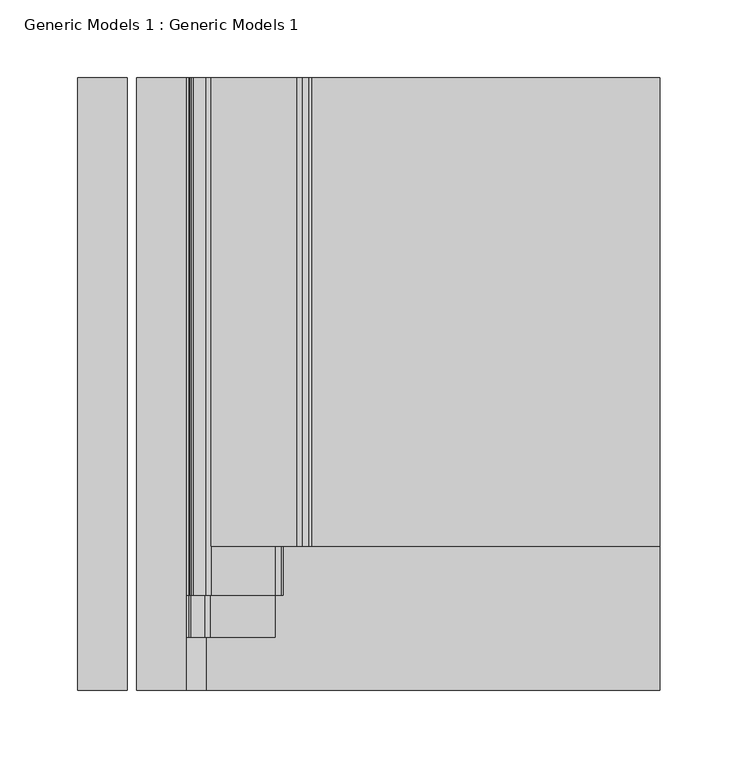
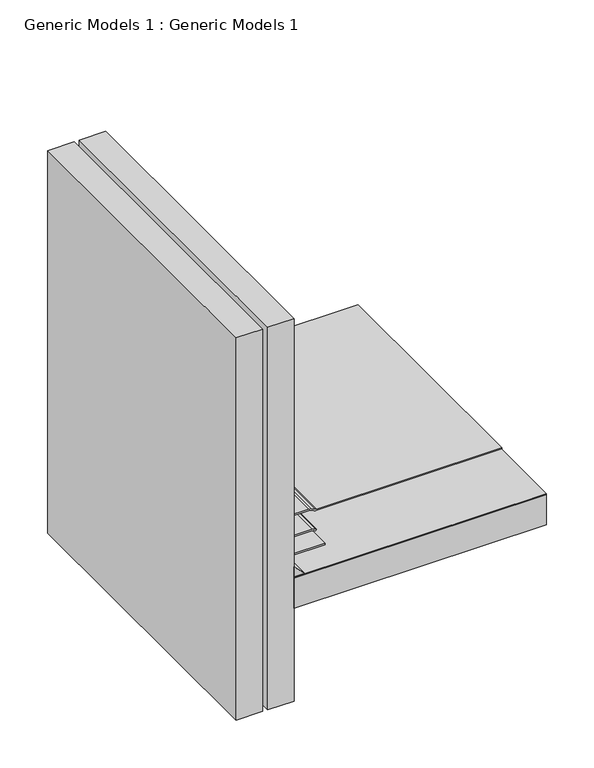
"""IFC4 building model written with IfcOpenShell, lengths in millimetres: proxy geometry, Generic Models 1 : Generic Models 1."""

from ifc_helpers import new_model, si_unit, point, frame, frame_2d, origin, place, context, project, spatial, polyline, circle_curve, trimmed, segment, composite_curve, outline, extrude, source, transform, mapped, element, save


def generic_models_1_generic_models_1_8e05d012(model_context):
    return source(origin(), model_context, "Body", "SweptSolid", [
        extrude(outline(polyline([(82.55, 393.8469389), (387.35, 393.8469389), (387.35, 0.0), (82.55, 0.0), (82.55, 393.8469389)])), frame((0.0, 0.0, 188.9125), z_axis=(0.0, 0.0, 1.0), x_axis=(1.0, 0.0, 0.0)), (0.0, 0.0, 1.0), 0.79375),
        extrude(outline(composite_curve([segment(trimmed(circle_curve(frame_2d((187.325, 153.7084294)), 6.35), [point((193.675, 153.7084294))], [point((193.0800544, 156.3920554))], True, "CARTESIAN"), True, "CONTINUOUS"), segment(polyline([(193.0800544, 156.3920554), (191.0949456, 160.6491351)]), True, "CONTINUOUS"), segment(trimmed(circle_curve(frame_2d((196.85, 163.3327611)), 6.35), [point((191.0949456, 160.6491351))], [point((190.5, 163.3327611))], False, "CARTESIAN"), True, "CONTINUOUS"), segment(polyline([(190.5, 163.3327611), (190.5, 387.35), (192.0875, 387.35), (192.0875, 163.3327611)]), True, "CONTINUOUS"), segment(trimmed(circle_curve(frame_2d((196.85, 163.3327611)), 4.7625), [point((192.0875, 163.3327611))], [point((192.5337092, 161.3200416))], True, "CARTESIAN"), True, "CONTINUOUS"), segment(polyline([(192.5337092, 161.3200416), (194.5188181, 157.0629619)]), True, "CONTINUOUS"), segment(trimmed(circle_curve(frame_2d((187.325, 153.7084294)), 7.9375), [point((194.5188181, 157.0629619))], [point((195.2625, 153.7084294))], False, "CARTESIAN"), True, "CONTINUOUS"), segment(polyline([(195.2625, 153.7084294), (195.2625, 98.5378202), (193.675, 98.5378202), (193.675, 153.7084294)]), True, "CONTINUOUS")], self_intersect=False)), frame((0.0, 92.6863112, 0.0), z_axis=(0.0, 1.0, 0.0), x_axis=(0.0, 0.0, 1.0)), (0.0, 0.0, 1.0), 301.1606278),
        extrude(outline(composite_curve([segment(trimmed(circle_curve(frame_2d((236.8806049, 88.9)), 6.35), [point((236.8806049, 82.55))], [point((233.8064244, 83.34375))], False, "CARTESIAN"), True, "CONTINUOUS"), segment(trimmed(circle_curve(frame_2d((230.7322439, 77.7875)), 6.35), [point((233.8064244, 83.34375))], [point((230.7322439, 84.1375))], True, "CARTESIAN"), True, "CONTINUOUS"), segment(polyline([(230.7322439, 84.1375), (206.4878202, 84.1375)]), True, "CONTINUOUS"), segment(trimmed(circle_curve(frame_2d((206.4878202, 90.4875)), 6.35), [point((206.4878202, 84.1375))], [point((201.9976921, 85.9973719))], False, "CARTESIAN"), True, "CONTINUOUS"), segment(polyline([(201.9976921, 85.9973719), (193.9473719, 94.0476921)]), True, "CONTINUOUS"), segment(trimmed(circle_curve(frame_2d((198.4375, 98.5378202)), 6.35), [point((193.9473719, 94.0476921))], [point((192.0875, 98.5378202))], False, "CARTESIAN"), True, "CONTINUOUS"), segment(polyline([(192.0875, 98.5378202), (192.0875, 139.6852414)]), True, "CONTINUOUS"), segment(trimmed(circle_curve(frame_2d((185.7375, 139.6852414)), 6.35), [point((192.0875, 139.6852414))], [point((191.2367613, 142.8602414))], True, "CARTESIAN"), True, "CONTINUOUS"), segment(polyline([(191.2367613, 142.8602414), (190.5, 144.1363494), (191.8748153, 144.9300994), (192.6115766, 143.6539914)]), True, "CONTINUOUS"), segment(trimmed(circle_curve(frame_2d((185.7375, 139.6852414)), 7.9375), [point((192.6115766, 143.6539914))], [point((193.675, 139.6852414))], False, "CARTESIAN"), True, "CONTINUOUS"), segment(polyline([(193.675, 139.6852414), (193.675, 98.5378202)]), True, "CONTINUOUS"), segment(trimmed(circle_curve(frame_2d((198.4375, 98.5378202)), 4.7625), [point((193.675, 98.5378202))], [point((195.069904, 95.1702241))], True, "CARTESIAN"), True, "CONTINUOUS"), segment(polyline([(195.069904, 95.1702241), (203.1202241, 87.119904)]), True, "CONTINUOUS"), segment(trimmed(circle_curve(frame_2d((206.4878202, 90.4875)), 4.7625), [point((203.1202241, 87.119904))], [point((206.4878202, 85.725))], True, "CARTESIAN"), True, "CONTINUOUS"), segment(polyline([(206.4878202, 85.725), (230.7322439, 85.725)]), True, "CONTINUOUS"), segment(trimmed(circle_curve(frame_2d((230.7322439, 77.7875)), 7.9375), [point((230.7322439, 85.725))], [point((234.5749695, 84.7328125))], False, "CARTESIAN"), True, "CONTINUOUS"), segment(trimmed(circle_curve(frame_2d((236.8806049, 88.9)), 4.7625), [point((234.5749695, 84.7328125))], [point((236.8806049, 84.1375))], True, "CARTESIAN"), True, "CONTINUOUS"), segment(polyline([(236.8806049, 84.1375), (401.6375, 84.1375), (401.6375, 82.55), (236.8806049, 82.55)]), True, "CONTINUOUS")], self_intersect=False)), frame((0.0, 60.9418638, 0.0), z_axis=(0.0, 1.0, 0.0), x_axis=(0.0, 0.0, 1.0)), (0.0, 0.0, 1.0), 332.9050752),
        extrude(outline(composite_curve([segment(trimmed(circle_curve(frame_2d((205.8302561, 88.9)), 6.35), [point((205.8302561, 82.55))], [point((201.3401281, 84.4098719))], False, "CARTESIAN"), True, "CONTINUOUS"), segment(polyline([(201.3401281, 84.4098719), (192.3598719, 93.3901281)]), True, "CONTINUOUS"), segment(trimmed(circle_curve(frame_2d((196.85, 97.8802561)), 6.35), [point((192.3598719, 93.3901281))], [point((190.5, 97.8802561))], False, "CARTESIAN"), True, "CONTINUOUS"), segment(polyline([(190.5, 97.8802561), (190.5, 139.7), (192.0875, 139.7), (192.0875, 97.8802561)]), True, "CONTINUOUS"), segment(trimmed(circle_curve(frame_2d((196.85, 97.8802561)), 4.7625), [point((192.0875, 97.8802561))], [point((193.482404, 94.5126601))], True, "CARTESIAN"), True, "CONTINUOUS"), segment(polyline([(193.482404, 94.5126601), (202.4626601, 85.532404)]), True, "CONTINUOUS"), segment(trimmed(circle_curve(frame_2d((205.8302561, 88.9)), 4.7625), [point((202.4626601, 85.532404))], [point((205.8302561, 84.1375))], True, "CARTESIAN"), True, "CONTINUOUS"), segment(polyline([(205.8302561, 84.1375), (228.6, 84.1375), (228.6, 82.55), (205.8302561, 82.55)]), True, "CONTINUOUS")], self_intersect=False)), frame((0.0, 34.1351637, 0.0), z_axis=(0.0, 1.0, 0.0), x_axis=(0.0, 0.0, 1.0)), (0.0, 0.0, 1.0), 359.7117752),
        extrude(outline(polyline([(203.2, 82.55), (190.5, 82.55), (190.5, 95.25), (203.2, 82.55)])), frame((0.0, 0.0, 0.0), z_axis=(0.0, 1.0, 0.0), x_axis=(0.0, 0.0, 1.0)), (0.0, 0.0, 1.0), 393.8469389),
        extrude(outline(polyline([(82.55, 261.3017557), (387.35, 261.3017557), (387.35, 0.0), (82.55, 0.0), (82.55, 261.3017557)])), frame((0.0, 0.0, 150.01875), z_axis=(0.0, 0.0, 1.0), x_axis=(1.0, 0.0, 0.0)), (0.0, 0.0, 1.0), 38.1),
        extrude(outline(polyline([(82.55, 0.0), (50.8, 0.0), (50.8, 393.8469389), (82.55, 393.8469389), (82.55, 0.0)])), frame((0.0, 0.0, 31.75), z_axis=(0.0, 0.0, 1.0), x_axis=(1.0, 0.0, 0.0)), (0.0, 0.0, 1.0), 488.0123023),
        extrude(outline(polyline([(44.45, 0.0), (12.7, 0.0), (12.7, 393.8469389), (44.45, 393.8469389), (44.45, 0.0)])), frame((0.0, 0.0, 31.75), z_axis=(0.0, 0.0, 1.0), x_axis=(1.0, 0.0, 0.0)), (0.0, 0.0, 1.0), 488.0123023),
    ])


if __name__ == "__main__":
    model = new_model("IFC4")
    model_context = context("Model", 3, world=origin())
    ifc_project = project(units=[si_unit("LENGTHUNIT", "METRE", prefix="MILLI")], contexts=[model_context])
    site = spatial("IfcSite", under=ifc_project)
    building = spatial("IfcBuilding", under=site)
    placement = place(None, origin())
    generic_models_1_generic_models_1_shape = generic_models_1_generic_models_1_8e05d012(model_context)
    element("IfcBuildingElementProxy", 1, Name="Generic Models 1 : Generic Models 1", ObjectType="Generic Models 1 : Generic Models 1", at=placement, inside=building, context=model_context, shape_type="MappedRepresentation", body=[
        mapped(generic_models_1_generic_models_1_shape, transform((0.0, 0.0, 0.0), x_axis=(1.0, 0.0, 0.0), y_axis=(0.0, 1.0, 0.0), z_axis=(0.0, 0.0, 1.0))),
    ])
    save(model, "model.ifc")
